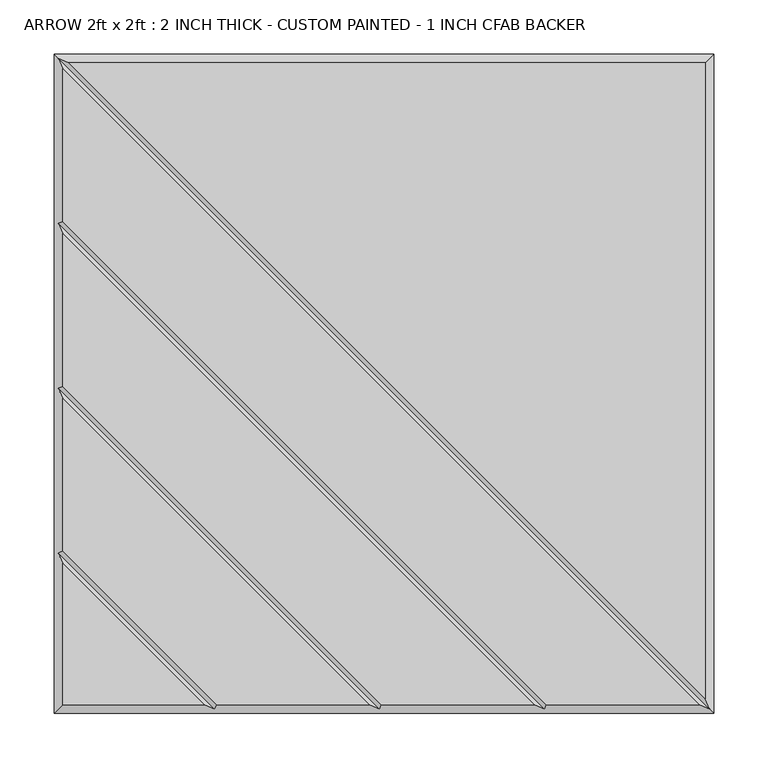
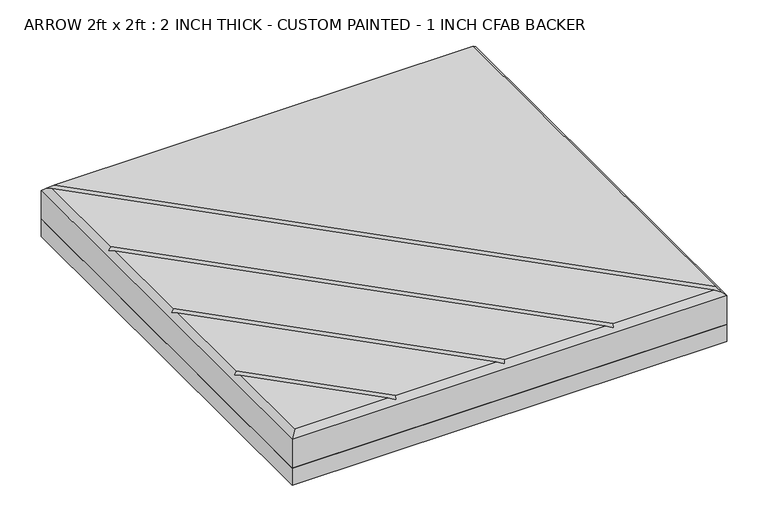
"""IFC4 building model written with IfcOpenShell, lengths in millimetres: proxy geometry, ARROW 2ft x 2ft : 2 INCH THICK - CUSTOM PAINTED - 1 INCH CFAB BACKER."""

from ifc_helpers import new_model, si_unit, frame, origin, place, context, project, spatial, polyline, outline, extrude, faceted_brep, source, transform, mapped, element, save


def arrow_2ft_x_2ft_2_inch_thick_custom_painted_1_inch_cfab_2bddad19(model_context):
    return source(origin(), model_context, "Body", "SolidModel", [
        extrude(outline(polyline([(-304.8, 304.8), (304.8, 304.8), (304.8, -304.8), (-304.8, -304.8), (-304.8, 304.8)])), frame((0.0, 0.0, -25.4), z_axis=(0.0, 0.0, 1.0), x_axis=(1.0, 0.0, 0.0)), (0.0, 0.0, 1.0), 25.4),
        faceted_brep([(296.799, 296.799, 50.8), (-291.1414386, 296.799, 50.8), (296.799, -291.1414386, 50.8), (291.1414386, -296.799, 50.8), (-296.799, 291.1414386, 50.8), (-296.799, 150.0565868, 50.8), (150.0565868, -296.799, 50.8), (138.741464, -296.799, 50.8), (-296.799, 138.741464, 50.8), (-296.799, -2.3434132, 50.8), (-2.3434132, -296.799, 50.8), (-13.658536, -296.799, 50.8), (-296.799, -13.658536, 50.8), (-296.799, -154.7434132, 50.8), (-154.7434132, -296.799, 50.8), (-296.799, -166.058536, 50.8), (-296.799, -296.799, 50.8), (-166.058536, -296.799, 50.8), (-304.8, 304.8, 0.0), (304.8, 304.8, 0.0), (304.8, -304.8, 0.0), (-304.8, -304.8, 0.0), (-304.8, -304.8, 42.799), (-304.8, 304.8, 42.799), (304.8, -304.8, 42.799), (304.8, 304.8, 42.799), (-300.7995, 300.7995, 46.7995), (-300.7995, -156.4004746, 46.7995), (-300.7995, -4.0004746, 46.7995), (-300.7995, 148.3995254, 46.7995), (300.7995, -300.7995, 46.7995), (148.3995254, -300.7995, 46.7995), (-4.0004746, -300.7995, 46.7995), (-156.4004746, -300.7995, 46.7995)], [[[0, 1, 2]], [[3, 4, 5, 6]], [[7, 8, 9, 10]], [[11, 12, 13, 14]], [[15, 16, 17]], [[18, 19, 20, 21]], [[18, 21, 22, 23]], [[21, 20, 24, 22]], [[20, 19, 25, 24]], [[19, 18, 23, 25]], [[0, 25, 23, 26, 1]], [[22, 16, 15, 27, 13, 12, 28, 9, 8, 29, 5, 4, 26, 23]], [[16, 22, 24, 30, 3, 6, 31, 7, 10, 32, 11, 14, 33, 17]], [[25, 0, 2, 30, 24]], [[26, 30, 2, 1]], [[30, 26, 4, 3]], [[29, 31, 6, 5]], [[31, 29, 8, 7]], [[28, 32, 10, 9]], [[32, 28, 12, 11]], [[27, 33, 14, 13]], [[33, 27, 15, 17]]]),
    ])


if __name__ == "__main__":
    model = new_model("IFC4")
    model_context = context("Model", 3, world=origin())
    ifc_project = project(units=[si_unit("LENGTHUNIT", "METRE", prefix="MILLI")], contexts=[model_context])
    site = spatial("IfcSite", under=ifc_project)
    building = spatial("IfcBuilding", under=site)
    placement = place(None, origin())
    arrow_2ft_x_2ft_2_inch_thick_custom_painted_1_inch_cfab_shape = arrow_2ft_x_2ft_2_inch_thick_custom_painted_1_inch_cfab_2bddad19(model_context)
    element("IfcBuildingElementProxy", 1, Name="ARROW 2ft x 2ft : 2 INCH THICK - CUSTOM PAINTED - 1 INCH CFAB BACKER", ObjectType="ARROW 2ft x 2ft : 2 INCH THICK - CUSTOM PAINTED - 1 INCH CFAB BACKER", at=placement, inside=building, context=model_context, shape_type="MappedRepresentation", body=[
        mapped(arrow_2ft_x_2ft_2_inch_thick_custom_painted_1_inch_cfab_shape, transform((0.0, 0.0, 0.0), x_axis=(1.0, 0.0, 0.0), y_axis=(0.0, 1.0, 0.0), z_axis=(0.0, 0.0, 1.0))),
    ])
    save(model, "model.ifc")
